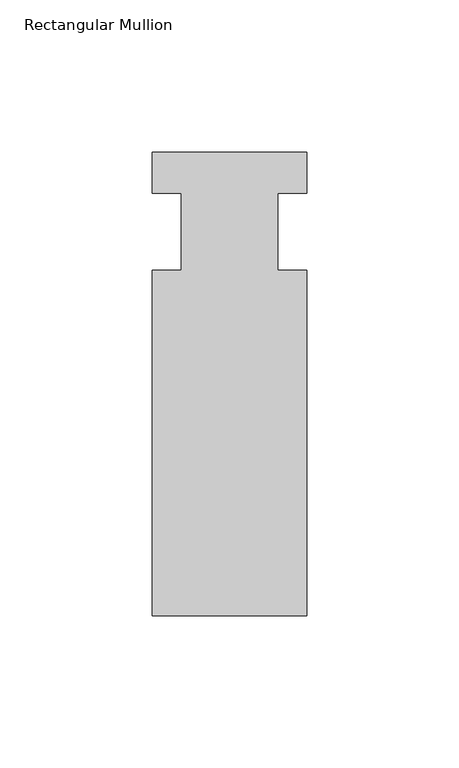
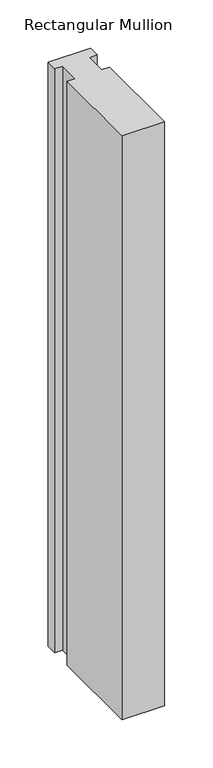
"""IFC4 building model written with IfcOpenShell, lengths in millimetres: member geometry, Rectangular Mullion."""

from ifc_helpers import new_model, si_unit, frame, origin, place, context, project, spatial, polyline, outline, extrude, source, transform, mapped, element, save


def rectangular_mullion_11774659(model_context):
    return source(origin(), model_context, "Body", "SweptSolid", [
        extrude(outline(polyline([(-25.4, 26.19375), (25.4, 26.19375), (25.4, 12.7), (15.875, 12.7), (15.875, -12.7), (25.4, -12.7), (25.4, -126.20625), (-25.4, -126.20625), (-25.4, -12.7), (-15.875, -12.7), (-15.875, 12.7), (-25.4, 12.7), (-25.4, 26.19375)])), frame((0.0, 0.0, -736.6), z_axis=(0.0, 0.0, 1.0), x_axis=(1.0, 0.0, 0.0)), (0.0, 0.0, 1.0), 736.6),
    ])


if __name__ == "__main__":
    model = new_model("IFC4")
    model_context = context("Model", 3, world=origin())
    ifc_project = project(units=[si_unit("LENGTHUNIT", "METRE", prefix="MILLI")], contexts=[model_context])
    site = spatial("IfcSite", under=ifc_project)
    building = spatial("IfcBuilding", under=site)
    placement = place(None, origin())
    rectangular_mullion_shape = rectangular_mullion_11774659(model_context)
    element("IfcMember", 1, ObjectType="Rectangular Mullion", at=placement, inside=building, context=model_context, shape_type="MappedRepresentation", body=[
        mapped(rectangular_mullion_shape, transform((0.0, 0.0, 0.0), x_axis=(1.0, 0.0, 0.0), y_axis=(0.0, 1.0, 0.0), z_axis=(0.0, 0.0, 1.0))),
    ])
    save(model, "model.ifc")
